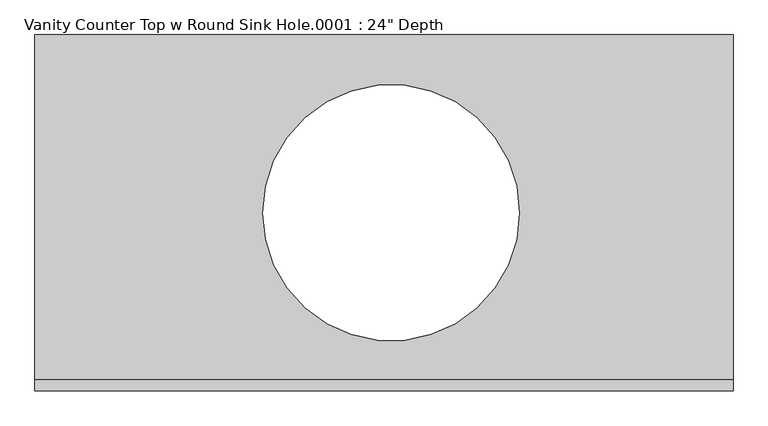
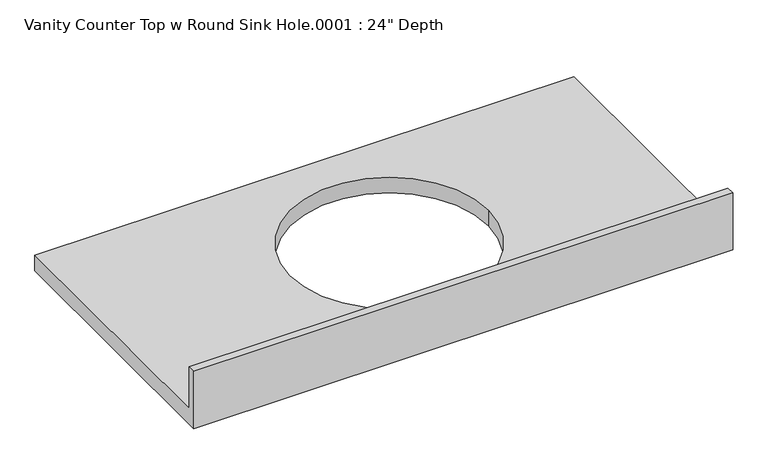
"""IFC4 building model written with IfcOpenShell, lengths in millimetres: furniture geometry."""

from ifc_helpers import new_model, si_unit, frame, origin, place, context, project, spatial, polyline, circle_curve, source, transform, mapped, element, save
from ifc_brep_helpers import plane_surface, revolved_surface, advanced_brep


def furniture_7e5c1fbd(model_context):
    return source(origin(), model_context, "Body", "AdvancedBrep", [
        advanced_brep(
        [(-1327.4622951, 635.0, 787.4), (-1327.4622951, 19.05, 787.4), (-82.8622951, 19.05, 787.4), (-82.8622951, 635.0, 787.4), (-463.8622951, 317.5, 787.4), (-921.0622951, 317.5, 787.4), (-82.8622951, 0.0, 749.3), (-1327.4622951, 0.0, 749.3), (-1327.4622951, 635.0, 749.3), (-82.8622951, 635.0, 749.3), (-921.0622951, 317.5, 749.3), (-463.8622951, 317.5, 749.3), (-82.8622951, 0.0, 889.0), (-1327.4622951, 0.0, 889.0), (-1327.4622951, 19.05, 889.0), (-82.8622951, 19.05, 889.0)],
        [
            (0, 1),
            (1, 2),
            (2, 3),
            (3, 0),
            (4, 5, circle_curve(frame((-692.4622951, 317.5, 787.4), z_axis=(0.0, 0.0, -1.0), x_axis=(1.0, 0.0, 0.0)), 228.6)),
            (5, 4, circle_curve(frame((-692.4622951, 317.5, 787.4), z_axis=(0.0, 0.0, -1.0), x_axis=(1.0, 0.0, 0.0)), 228.6)),
            (6, 7),
            (7, 8),
            (8, 9),
            (9, 6),
            (10, 11, circle_curve(frame((-692.4622951, 317.5, 749.3), z_axis=(0.0, 0.0, 1.0), x_axis=(1.0, 0.0, 0.0)), 228.6)),
            (11, 10, circle_curve(frame((-692.4622951, 317.5, 749.3), z_axis=(0.0, 0.0, 1.0), x_axis=(1.0, 0.0, 0.0)), 228.6)),
            (6, 12),
            (12, 13),
            (13, 7),
            (13, 14),
            (14, 1),
            (0, 8),
            (3, 9),
            (2, 15),
            (15, 12),
            (15, 14),
            (5, 10),
            (11, 4),
        ],
        [
            plane_surface(frame((-1327.4622951, 0.0, 787.4), z_axis=(0.0, 0.0, 1.0), x_axis=(-1.0, 0.0, 0.0))),
            plane_surface(frame((-1327.4622951, 0.0, 749.3), z_axis=(0.0, 0.0, -1.0), x_axis=(1.0, 0.0, 0.0))),
            plane_surface(frame((-82.8622951, 0.0, 787.4), z_axis=(0.0, -1.0, 0.0), x_axis=(0.0, 0.0, -1.0))),
            plane_surface(frame((-1327.4622951, 0.0, 787.4), z_axis=(-1.0, 0.0, 0.0), x_axis=(0.0, 0.0, -1.0))),
            plane_surface(frame((-1327.4622951, 635.0, 787.4), z_axis=(0.0, 1.0, 0.0), x_axis=(0.0, 0.0, -1.0))),
            plane_surface(frame((-82.8622951, 635.0, 787.4), z_axis=(1.0, 0.0, 0.0), x_axis=(0.0, 0.0, -1.0))),
            plane_surface(frame((-1327.4622951, 0.0, 889.0), z_axis=(0.0, 0.0, 1.0), x_axis=(0.0, 1.0, 0.0))),
            plane_surface(frame((-1327.4622951, 19.05, 889.0), z_axis=(0.0, 1.0, 0.0), x_axis=(0.0, 0.0, -1.0))),
            revolved_surface(polyline([(-463.8622951, 317.5, 787.4), (-463.8622951, 317.5, 749.3)]), (-692.4622951, 317.5, 749.3), (0.0, 0.0, 1.0)),
        ],
        [
            (0, [[1, 2, 3, 4], [5, 6]]),
            (1, [[7, 8, 9, 10], [11, 12]]),
            (2, [[13, 14, 15, -7]]),
            (3, [[-15, 16, 17, -1, 18, -8]]),
            (4, [[19, -9, -18, -4]]),
            (5, [[-19, -3, 20, 21, -13, -10]]),
            (6, [[-14, -21, 22, -16]]),
            (7, [[-20, -2, -17, -22]]),
            (8, [[-6, 23, -12, 24]]),
            (8, [[-11, -23, -5, -24]]),
        ],
    ),
    ])


if __name__ == "__main__":
    model = new_model("IFC4")
    model_context = context("Model", 3, world=origin())
    ifc_project = project(units=[si_unit("LENGTHUNIT", "METRE", prefix="MILLI")], contexts=[model_context])
    site = spatial("IfcSite", under=ifc_project)
    building = spatial("IfcBuilding", under=site)
    placement = place(None, origin())
    furniture_shape = furniture_7e5c1fbd(model_context)
    element("IfcFurniture", 1, ObjectType="Vanity Counter Top w Round Sink Hole.0001 : 24\" Depth", at=placement, inside=building, context=model_context, shape_type="MappedRepresentation", body=[
        mapped(furniture_shape, transform((0.0, 0.0, 0.0), x_axis=(1.0, 0.0, 0.0), y_axis=(0.0, 1.0, 0.0), z_axis=(0.0, 0.0, 1.0))),
    ])
    save(model, "model.ifc")
